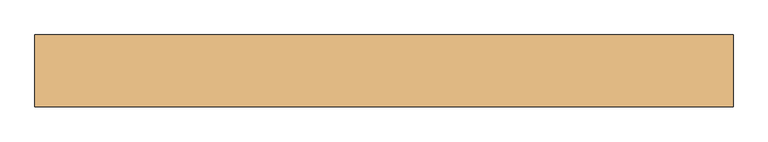
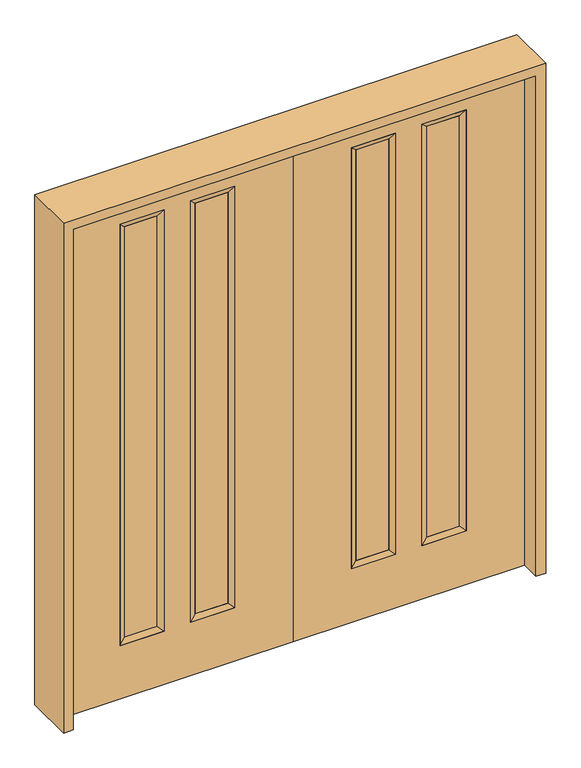
"""IFC4 building model written with IfcOpenShell, lengths in millimetres: door geometry."""

from ifc_helpers import new_model, si_unit, frame, origin, place, context, project, spatial, polyline, outline, extrude, faceted_brep, source, transform, mapped, element, save


def door_80b3f4c8(model_context):
    return source(origin(), model_context, "Body", "SolidModel", [
        faceted_brep([(-797.814, 22.225, 2311.4), (-594.614, 22.225, 2311.4), (-620.014, 14.2875, 2286.0), (-772.414, 14.2875, 2286.0), (-620.014, -12.7039749, 2286.0), (-772.414, -12.7039749, 2286.0), (-594.614, -22.225, 2311.4), (-797.814, -22.225, 2311.4), (-594.614, 22.225, 260.35), (-620.014, 14.2875, 285.75), (-620.014, -12.7039749, 285.75), (-594.614, -22.225, 260.35), (-797.814, 22.225, 260.35), (-772.414, 14.2875, 285.75), (-772.414, -12.7039749, 285.75), (-797.814, -22.225, 260.35)], [[[0, 1, 2, 3]], [[3, 2, 4, 5]], [[5, 4, 6, 7]], [[7, 6, 1, 0]], [[1, 8, 9, 2]], [[2, 9, 10, 4]], [[4, 10, 11, 6]], [[6, 11, 8, 1]], [[8, 12, 13, 9]], [[9, 13, 14, 10]], [[10, 14, 15, 11]], [[11, 15, 12, 8]], [[12, 0, 3, 13]], [[13, 3, 5, 14]], [[14, 5, 7, 15]], [[15, 7, 0, 12]]]),
        faceted_brep([(-294.386, 14.2875, 2286.0), (-446.786, 14.2875, 2286.0), (-472.186, 22.225, 2311.4), (-268.986, 22.225, 2311.4), (-294.386, -12.7039749, 2286.0), (-446.786, -12.7039749, 2286.0), (-268.986, -22.225, 2311.4), (-472.186, -22.225, 2311.4), (-446.786, 14.2875, 285.75), (-472.186, 22.225, 260.35), (-446.786, -12.7039749, 285.75), (-472.186, -22.225, 260.35), (-294.386, 14.2875, 285.75), (-268.986, 22.225, 260.35), (-294.386, -12.7039749, 285.75), (-268.986, -22.225, 260.35)], [[[0, 1, 2, 3]], [[4, 5, 1, 0]], [[6, 7, 5, 4]], [[3, 2, 7, 6]], [[1, 8, 9, 2]], [[5, 10, 8, 1]], [[7, 11, 10, 5]], [[2, 9, 11, 7]], [[8, 12, 13, 9]], [[10, 14, 12, 8]], [[11, 15, 14, 10]], [[9, 13, 15, 11]], [[12, 0, 3, 13]], [[14, 4, 0, 12]], [[15, 6, 4, 14]], [[13, 3, 6, 15]]]),
        extrude(outline(polyline([(0.0, 0.0), (2438.4, 0.0), (2438.4, -1066.8), (0.0, -1066.8), (0.0, 0.0)]), holes=[polyline([(260.35, -268.986), (260.35, -472.186), (2311.4, -472.186), (2311.4, -268.986), (260.35, -268.986)]), polyline([(260.35, -594.614), (260.35, -797.814), (2311.4, -797.814), (2311.4, -594.614), (260.35, -594.614)])]), frame((0.0, -22.225, 0.0), z_axis=(0.0, 1.0, 0.0), x_axis=(0.0, 0.0, 1.0)), (0.0, 0.0, 1.0), 44.45),
        extrude(outline(polyline([(-446.786, -12.7039749), (-446.786, 14.2875), (-294.386, 14.2875), (-294.386, -12.7039749), (-446.786, -12.7039749)])), frame((0.0, 0.0, 285.75), z_axis=(0.0, 0.0, 1.0), x_axis=(1.0, 0.0, 0.0)), (0.0, 0.0, 1.0), 2000.25),
        extrude(outline(polyline([(-772.414, -12.7039749), (-772.414, 14.2875), (-620.014, 14.2875), (-620.014, -12.7039749), (-772.414, -12.7039749)])), frame((0.0, 0.0, 285.75), z_axis=(0.0, 0.0, 1.0), x_axis=(1.0, 0.0, 0.0)), (0.0, 0.0, 1.0), 2000.25),
        faceted_brep([(797.814, 22.225, 2311.4), (772.414, 14.2875, 2286.0), (620.014, 14.2875, 2286.0), (594.614, 22.225, 2311.4), (772.414, -12.7039749, 2286.0), (620.014, -12.7039749, 2286.0), (797.814, -22.225, 2311.4), (594.614, -22.225, 2311.4), (620.014, 14.2875, 285.75), (594.614, 22.225, 260.35), (620.014, -12.7039749, 285.75), (594.614, -22.225, 260.35), (772.414, 14.2875, 285.75), (797.814, 22.225, 260.35), (772.414, -12.7039749, 285.75), (797.814, -22.225, 260.35)], [[[0, 1, 2, 3]], [[1, 4, 5, 2]], [[4, 6, 7, 5]], [[6, 0, 3, 7]], [[3, 2, 8, 9]], [[2, 5, 10, 8]], [[5, 7, 11, 10]], [[7, 3, 9, 11]], [[9, 8, 12, 13]], [[8, 10, 14, 12]], [[10, 11, 15, 14]], [[11, 9, 13, 15]], [[13, 12, 1, 0]], [[12, 14, 4, 1]], [[14, 15, 6, 4]], [[15, 13, 0, 6]]]),
        faceted_brep([(294.386, 14.2875, 2286.0), (268.986, 22.225, 2311.4), (472.186, 22.225, 2311.4), (446.786, 14.2875, 2286.0), (294.386, -12.7039749, 2286.0), (446.786, -12.7039749, 2286.0), (268.986, -22.225, 2311.4), (472.186, -22.225, 2311.4), (472.186, 22.225, 260.35), (446.786, 14.2875, 285.75), (446.786, -12.7039749, 285.75), (472.186, -22.225, 260.35), (268.986, 22.225, 260.35), (294.386, 14.2875, 285.75), (294.386, -12.7039749, 285.75), (268.986, -22.225, 260.35)], [[[0, 1, 2, 3]], [[4, 0, 3, 5]], [[6, 4, 5, 7]], [[1, 6, 7, 2]], [[3, 2, 8, 9]], [[5, 3, 9, 10]], [[7, 5, 10, 11]], [[2, 7, 11, 8]], [[9, 8, 12, 13]], [[10, 9, 13, 14]], [[11, 10, 14, 15]], [[8, 11, 15, 12]], [[13, 12, 1, 0]], [[14, 13, 0, 4]], [[15, 14, 4, 6]], [[12, 15, 6, 1]]]),
        extrude(outline(polyline([(0.0, 0.0), (0.0, 1066.8), (2438.4, 1066.8), (2438.4, 0.0), (0.0, 0.0)]), holes=[polyline([(260.35, 268.986), (2311.4, 268.986), (2311.4, 472.186), (260.35, 472.186), (260.35, 268.986)]), polyline([(260.35, 594.614), (2311.4, 594.614), (2311.4, 797.814), (260.35, 797.814), (260.35, 594.614)])]), frame((0.0, -22.225, 0.0), z_axis=(0.0, 1.0, 0.0), x_axis=(0.0, 0.0, 1.0)), (0.0, 0.0, 1.0), 44.45),
        extrude(outline(polyline([(446.786, -12.7039749), (294.386, -12.7039749), (294.386, 14.2875), (446.786, 14.2875), (446.786, -12.7039749)])), frame((0.0, 0.0, 285.75), z_axis=(0.0, 0.0, 1.0), x_axis=(1.0, 0.0, 0.0)), (0.0, 0.0, 1.0), 2000.25),
        extrude(outline(polyline([(772.414, -12.7039749), (620.014, -12.7039749), (620.014, 14.2875), (772.414, 14.2875), (772.414, -12.7039749)])), frame((0.0, 0.0, 285.75), z_axis=(0.0, 0.0, 1.0), x_axis=(1.0, 0.0, 0.0)), (0.0, 0.0, 1.0), 2000.25),
        extrude(outline(polyline([(0.0, -1111.25), (0.0, -1066.8), (2438.4, -1066.8), (2438.4, 1066.8), (0.0, 1066.8), (0.0, 1111.25), (2482.85, 1111.25), (2482.85, -1111.25), (0.0, -1111.25)])), frame((0.0, -114.3, 0.0), z_axis=(0.0, 1.0, 0.0), x_axis=(0.0, 0.0, 1.0)), (0.0, 0.0, 1.0), 228.6),
    ])


if __name__ == "__main__":
    model = new_model("IFC4")
    model_context = context("Model", 3, world=origin())
    ifc_project = project(units=[si_unit("LENGTHUNIT", "METRE", prefix="MILLI")], contexts=[model_context])
    site = spatial("IfcSite", under=ifc_project)
    building = spatial("IfcBuilding", under=site)
    placement = place(None, origin())
    door_shape = door_80b3f4c8(model_context)
    element("IfcDoor", 1, at=placement, inside=building, context=model_context, shape_type="MappedRepresentation", body=[
        mapped(door_shape, transform((0.0, 0.0, 0.0), x_axis=(1.0, 0.0, 0.0), y_axis=(0.0, 1.0, 0.0), z_axis=(0.0, 0.0, 1.0))),
    ])
    save(model, "model.ifc")
